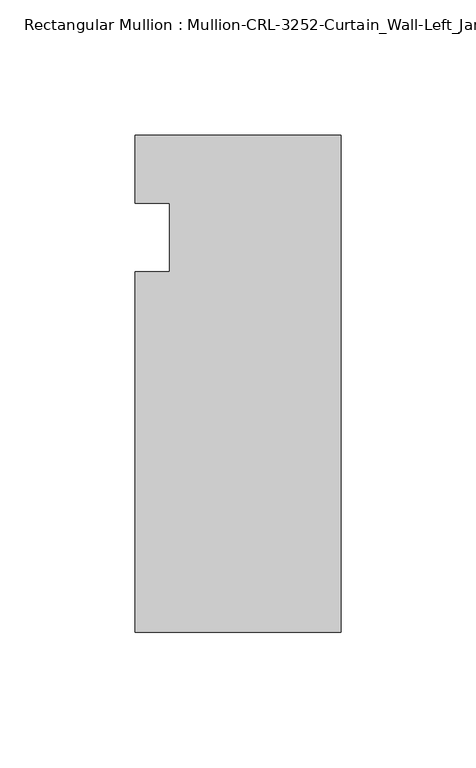
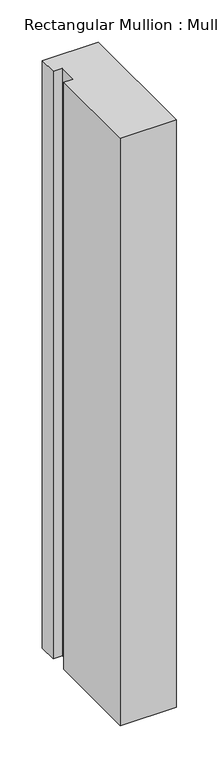
"""IFC4 building model written with IfcOpenShell, lengths in millimetres: member geometry, Rectangular Mullion : Mullion-CRL-3252-Curtain_Wall-Left_Jamb."""

from ifc_helpers import new_model, si_unit, frame, origin, place, context, project, spatial, polyline, outline, extrude, source, transform, mapped, element, save


def rectangular_mullion_mullion_crl_3252_curtain_wall_left_jamb_cc222c82(model_context):
    return source(origin(), model_context, "Body", "SweptSolid", [
        extrude(outline(polyline([(0.0, 37.8626457), (0.0, -146.0054758), (-76.2018563, -146.0054758), (-76.2018563, -12.7), (-63.4961173, -12.7), (-63.4961173, 12.7), (-76.2018563, 12.7), (-76.2018563, 37.8626457), (0.0, 37.8626457)])), frame((0.0, 0.0, -845.8398437), z_axis=(0.0, 0.0, 1.0), x_axis=(1.0, 0.0, 0.0)), (0.0, 0.0, 1.0), 845.8398437),
    ])


if __name__ == "__main__":
    model = new_model("IFC4")
    model_context = context("Model", 3, world=origin())
    ifc_project = project(units=[si_unit("LENGTHUNIT", "METRE", prefix="MILLI")], contexts=[model_context])
    site = spatial("IfcSite", under=ifc_project)
    building = spatial("IfcBuilding", under=site)
    placement = place(None, origin())
    rectangular_mullion_mullion_crl_3252_curtain_wall_left_jamb_shape = rectangular_mullion_mullion_crl_3252_curtain_wall_left_jamb_cc222c82(model_context)
    element("IfcMember", 1, ObjectType="Rectangular Mullion : Mullion-CRL-3252-Curtain_Wall-Left_Jamb", at=placement, inside=building, context=model_context, shape_type="MappedRepresentation", body=[
        mapped(rectangular_mullion_mullion_crl_3252_curtain_wall_left_jamb_shape, transform((0.0, 0.0, 0.0), x_axis=(1.0, 0.0, 0.0), y_axis=(0.0, 1.0, 0.0), z_axis=(0.0, 0.0, 1.0))),
    ])
    save(model, "model.ifc")
